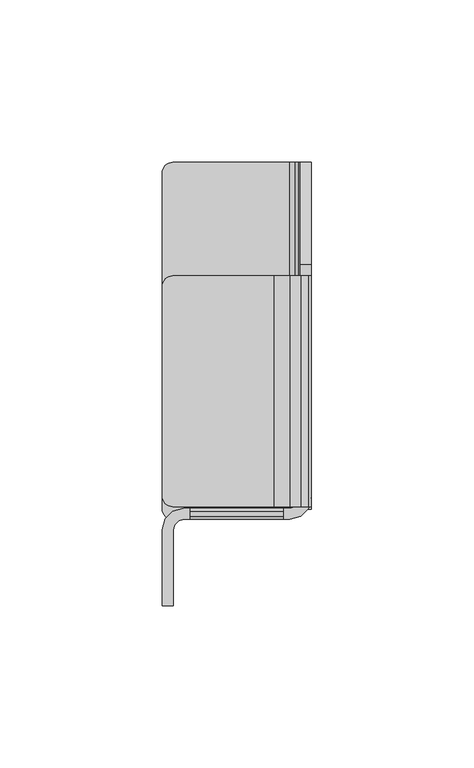
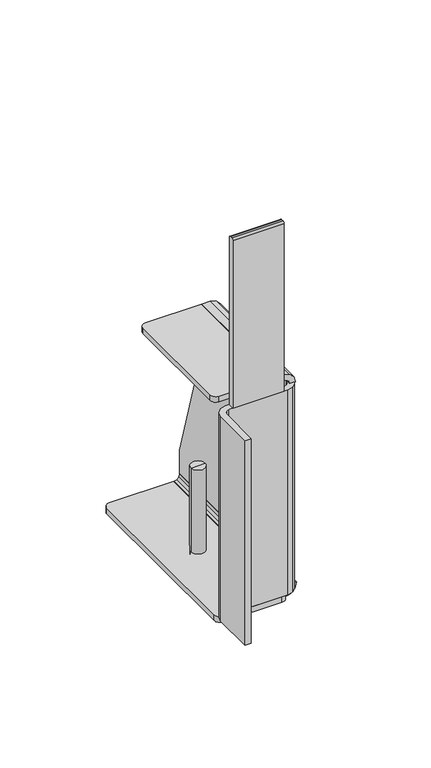
"""IFC4 building model written with IfcOpenShell, lengths in millimetres: furniture geometry."""

from ifc_helpers import new_model, si_unit, point, frame, frame_2d, origin, place, context, project, spatial, polyline, circle_curve, trimmed, segment, composite_curve, outline, extrude, source, transform, mapped, element, save
from ifc_brep_helpers import plane_surface, cylinder_surface, revolved_surface, advanced_brep


def furniture_7977dcf4(model_context):
    return source(origin(), model_context, "Body", "SolidModel", [
        advanced_brep(
        [(16.9787737, -54.9802248, 60.1980016), (24.9797752, -54.9802248, 60.1980016), (24.9797752, -54.9802248, 7.8739999), (16.9787737, -54.9802248, 7.8739999), (33.6792805, -54.9802248, 7.8739999), (8.2792684, -54.9802248, 7.8739999), (33.6792805, -54.9802248, 2.6834552), (8.2792684, -54.9802248, 2.6834552), (20.9792744, -54.9802248, 0.0), (20.9792744, -54.9802248, 60.1980016)],
        [
            (0, 1, circle_curve(frame((20.9792744, -54.9802248, 60.1980016), z_axis=(0.0, 0.0, -1.0), x_axis=(1.0, 0.0, 0.0)), 4.0005007)),
            (1, 2),
            (2, 3, circle_curve(frame((20.9792744, -54.9802248, 7.8739999), z_axis=(0.0, 0.0, 1.0), x_axis=(1.0, 0.0, 0.0)), 4.0005007)),
            (3, 0),
            (1, 0, circle_curve(frame((20.9792744, -54.9802248, 60.1980016), z_axis=(0.0, 0.0, -1.0), x_axis=(1.0, 0.0, 0.0)), 4.0005007)),
            (3, 2, circle_curve(frame((20.9792744, -54.9802248, 7.8739999), z_axis=(0.0, 0.0, 1.0), x_axis=(1.0, 0.0, 0.0)), 4.0005007)),
            (2, 4),
            (4, 5, circle_curve(frame((20.9792744, -54.9802248, 7.8739999), z_axis=(0.0, 0.0, 1.0), x_axis=(1.0, 0.0, 0.0)), 12.7000061)),
            (5, 3),
            (5, 4, circle_curve(frame((20.9792744, -54.9802248, 7.8739999), z_axis=(0.0, 0.0, 1.0), x_axis=(1.0, 0.0, 0.0)), 12.7000061)),
            (4, 6),
            (6, 7, circle_curve(frame((20.9792744, -54.9802248, 2.6834552), z_axis=(0.0, 0.0, 1.0), x_axis=(1.0, 0.0, 0.0)), 12.7000061)),
            (7, 5),
            (7, 6, circle_curve(frame((20.9792744, -54.9802248, 2.6834552), z_axis=(0.0, 0.0, 1.0), x_axis=(1.0, 0.0, 0.0)), 12.7000061)),
            (6, 8),
            (8, 7),
            (9, 1),
            (0, 9),
        ],
        [
            cylinder_surface(frame((20.9792744, -54.9802248, 60.1980016), z_axis=(0.0, 0.0, 1.0), x_axis=(1.0, 0.0, 0.0)), 4.0005007),
            plane_surface(frame((20.9792744, -54.9802248, 7.8739999), z_axis=(0.0, 0.0, 1.0), x_axis=(1.0, 0.0, 0.0))),
            cylinder_surface(frame((20.9792744, -54.9802248, 60.1980016), z_axis=(0.0, 0.0, 1.0), x_axis=(1.0, 0.0, 0.0)), 12.7000061),
            revolved_surface(polyline([(20.9792744, -54.9802248, 0.0), (33.6792805, -54.9802248, 2.6834552)]), (20.9792744, -54.9802248, 60.1980016), (0.0, 0.0, 1.0)),
            plane_surface(frame((20.9792744, -54.9802248, 60.1980016), z_axis=(0.0, 0.0, 1.0), x_axis=(1.0, 0.0, 0.0))),
        ],
        [
            (0, [[1, 2, 3, 4]]),
            (0, [[5, -4, 6, -2]]),
            (1, [[-3, 7, 8, 9]]),
            (1, [[-6, -9, 10, -7]]),
            (2, [[-8, 11, 12, 13]]),
            (2, [[-10, -13, 14, -11]]),
            (3, [[-12, 15, 16]]),
            (3, [[-14, -16, -15]]),
            (4, [[17, -1, 18]]),
            (4, [[-18, -5, -17]]),
        ],
    ),
        extrude(outline(composite_curve([segment(trimmed(circle_curve(frame_2d((-108.9840036, 230.4538722)), 1.016), [point((-110.0000036, 230.4538722))], [point((-108.9840036, 231.4698722))], False, "CARTESIAN"), True, "CONTINUOUS"), segment(polyline([(-108.9840036, 231.4698722), (-107.6000011, 231.4698722)]), True, "CONTINUOUS"), segment(trimmed(circle_curve(frame_2d((-107.6000011, 230.4538722)), 1.016), [point((-107.6000011, 231.4698722))], [point((-106.5840011, 230.4538722))], False, "CARTESIAN"), True, "CONTINUOUS"), segment(polyline([(-106.5840011, 230.4538722), (-106.5840011, 131.8643803), (-110.0000036, 131.8643803), (-110.0000036, 230.4538722)]), True, "CONTINUOUS")], self_intersect=False)), frame((8.654, 0.0, 0.0), z_axis=(1.0, 0.0, 0.0), x_axis=(0.0, 1.0, 0.0)), (0.0, 0.0, 1.0), 28.5999996),
        extrude(outline(polyline([(45.9079999, -103.2840027), (45.0249733, -106.7045016), (42.6124979, -109.116977), (39.3170005, -110.0000036), (6.591, -110.0000036), (5.0035001, -110.4253728), (3.8413694, -111.5875021), (3.4160001, -113.1750005), (3.4160001, -136.5840027), (0.0, -136.5840027), (0.0, -113.1750005), (0.8830266, -109.8795031), (3.2955001, -107.4670277), (6.591, -106.5840011), (39.3170005, -106.5840011), (40.904499, -106.1586319), (42.0666306, -104.9965026), (42.492002, -103.2840027), (45.9079999, -103.2840027)])), frame((0.0, 0.0, 11.1695001), z_axis=(0.0, 0.0, 1.0), x_axis=(1.0, 0.0, 0.0)), (0.0, 0.0, 1.0), 120.6948801),
        extrude(outline(polyline([(131.8643803, 42.492002), (131.8643803, 45.9079999), (135.1598732, 45.0249733), (137.5723531, 42.6124979), (138.4553751, 39.3170005), (138.4553751, 34.5535876), (135.0393773, 34.5535876), (135.0393773, 39.3170005), (134.6140126, 40.9044967), (133.4518742, 42.0666328), (131.8643803, 42.492002)])), frame((0.0, -106.0840044, 0.0), z_axis=(0.0, 1.0, 0.0), x_axis=(0.0, 0.0, 1.0)), (0.0, 0.0, 1.0), 71.084006),
        extrude(outline(composite_curve([segment(polyline([(34.5535876, -34.9999985), (34.5535876, -106.0840044), (3.175, -106.0840044)]), True, "CONTINUOUS"), segment(trimmed(circle_curve(frame_2d((3.175, -102.9090044)), 3.175), [point((3.175, -106.0840044))], [point((0.0, -102.9090044))], False, "CARTESIAN"), True, "CONTINUOUS"), segment(polyline([(0.0, -102.9090044), (0.0, -38.1749985)]), True, "CONTINUOUS"), segment(trimmed(circle_curve(frame_2d((3.175, -38.1749985)), 3.175), [point((0.0, -38.1749985))], [point((3.175, -34.9999985))], False, "CARTESIAN"), True, "CONTINUOUS"), segment(polyline([(3.175, -34.9999985), (34.5535876, -34.9999985)]), True, "CONTINUOUS")], self_intersect=False)), frame((0.0, 0.0, 135.1598732), z_axis=(0.0, 0.0, 1.0), x_axis=(1.0, 0.0, 0.0)), (0.0, 0.0, 1.0), 3.295502),
        extrude(outline(polyline([(11.1695001, 39.3170005), (7.8739999, 39.3170005), (8.7570259, 42.6124979), (11.1695001, 45.0249733), (14.4649998, 45.9079999), (14.4649998, 42.492002), (12.8774991, 42.0666306), (11.7153687, 40.904499), (11.1695001, 39.3170005)])), frame((0.0, -106.8250036, 0.0), z_axis=(0.0, 1.0, 0.0), x_axis=(0.0, 0.0, 1.0)), (0.0, 0.0, 1.0), 106.8250036),
        extrude(outline(composite_curve([segment(polyline([(39.3170005, 0.0), (39.3170005, -106.8250036)]), True, "CONTINUOUS"), segment(trimmed(circle_curve(frame_2d((36.1420005, -106.8250036)), 3.175), [point((39.3170005, -106.8250036))], [point((36.1420005, -110.0000036))], False, "CARTESIAN"), True, "CONTINUOUS"), segment(polyline([(36.1420005, -110.0000036), (3.175, -110.0000036)]), True, "CONTINUOUS"), segment(trimmed(circle_curve(frame_2d((3.175, -106.8250036)), 3.175), [point((3.175, -110.0000036))], [point((0.0, -106.8250036))], False, "CARTESIAN"), True, "CONTINUOUS"), segment(polyline([(0.0, -106.8250036), (0.0, -3.175)]), True, "CONTINUOUS"), segment(trimmed(circle_curve(frame_2d((3.175, -3.175)), 3.175), [point((0.0, -3.175))], [point((3.175, 0.0))], False, "CARTESIAN"), True, "CONTINUOUS"), segment(polyline([(3.175, 0.0), (39.3170005, 0.0)]), True, "CONTINUOUS")], self_intersect=False)), frame((0.0, 0.0, 7.8733776), z_axis=(0.0, 0.0, 1.0), x_axis=(1.0, 0.0, 0.0)), (0.0, 0.0, 1.0), 3.2961225),
        extrude(outline(polyline([(0.0, 14.4643776), (-103.4090042, 14.4643776), (-103.2840027, 131.8643803), (-31.4301128, 131.8643803), (0.0, 28.593982), (0.0, 14.4643776)])), frame((42.492002, 0.0, 0.0), z_axis=(1.0, 0.0, 0.0), x_axis=(0.0, 1.0, 0.0)), (0.0, 0.0, 1.0), 3.4159979),
    ])


if __name__ == "__main__":
    model = new_model("IFC4")
    model_context = context("Model", 3, world=origin())
    ifc_project = project(units=[si_unit("LENGTHUNIT", "METRE", prefix="MILLI")], contexts=[model_context])
    site = spatial("IfcSite", under=ifc_project)
    building = spatial("IfcBuilding", under=site)
    placement = place(None, origin())
    furniture_shape = furniture_7977dcf4(model_context)
    element("IfcFurniture", 1, at=placement, inside=building, context=model_context, shape_type="MappedRepresentation", body=[
        mapped(furniture_shape, transform((0.0, 0.0, 0.0), x_axis=(1.0, 0.0, 0.0), y_axis=(0.0, 1.0, 0.0), z_axis=(0.0, 0.0, 1.0))),
    ])
    save(model, "model.ifc")
